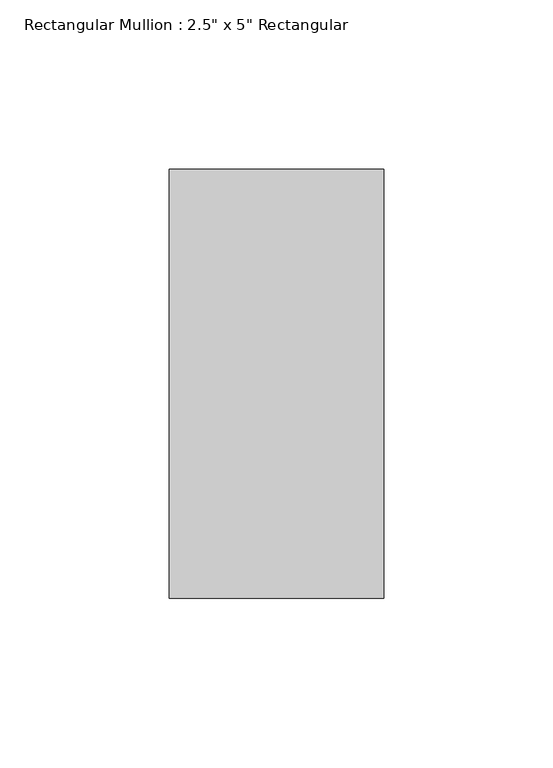
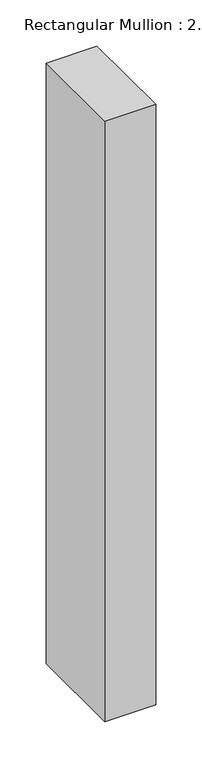
"""IFC4 building model written with IfcOpenShell, lengths in millimetres: member geometry."""

from ifc_helpers import new_model, si_unit, frame, origin, place, context, project, spatial, polyline, outline, extrude, source, transform, mapped, element, save


def member_13dc6413(model_context):
    return source(origin(), model_context, "Body", "SweptSolid", [
        extrude(outline(polyline([(0.0, 63.5), (0.0, -63.5), (-63.5, -63.5), (-63.5, 63.5), (0.0, 63.5)])), frame((0.0, 0.0, -793.75), z_axis=(0.0, 0.0, 1.0), x_axis=(1.0, 0.0, 0.0)), (0.0, 0.0, 1.0), 793.75),
    ])


if __name__ == "__main__":
    model = new_model("IFC4")
    model_context = context("Model", 3, world=origin())
    ifc_project = project(units=[si_unit("LENGTHUNIT", "METRE", prefix="MILLI")], contexts=[model_context])
    site = spatial("IfcSite", under=ifc_project)
    building = spatial("IfcBuilding", under=site)
    placement = place(None, origin())
    member_shape = member_13dc6413(model_context)
    element("IfcMember", 1, ObjectType="Rectangular Mullion : 2.5\" x 5\" Rectangular", at=placement, inside=building, context=model_context, shape_type="MappedRepresentation", body=[
        mapped(member_shape, transform((0.0, 0.0, 0.0), x_axis=(1.0, 0.0, 0.0), y_axis=(0.0, 1.0, 0.0), z_axis=(0.0, 0.0, 1.0))),
    ])
    save(model, "model.ifc")
